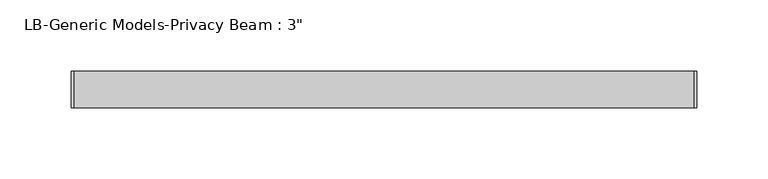
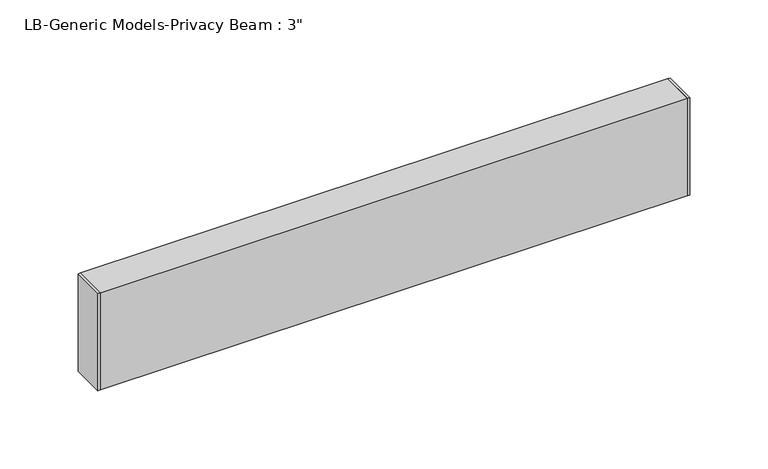
"""IFC4 building model written with IfcOpenShell, lengths in millimetres: proxy geometry."""

from ifc_helpers import new_model, si_unit, frame, origin, place, context, project, spatial, polyline, outline, extrude, source, transform, mapped, element, save


def proxy_37d6fac1(model_context):
    return source(origin(), model_context, "Body", "SweptSolid", [
        extrude(outline(polyline([(0.0, 12.7), (1.651, 12.7), (1.651, -12.7), (0.0, -12.7), (0.0, 12.7)])), frame((0.0, 0.0, -38.1), z_axis=(0.0, 0.0, 1.0), x_axis=(1.0, 0.0, 0.0)), (0.0, 0.0, 1.0), 76.2),
        extrude(outline(polyline([(438.15, 12.7), (438.15, -12.7), (436.499, -12.7), (436.499, 12.7), (438.15, 12.7)])), frame((0.0, 0.0, -38.1), z_axis=(0.0, 0.0, 1.0), x_axis=(1.0, 0.0, 0.0)), (0.0, 0.0, 1.0), 76.2),
        extrude(outline(polyline([(-12.7, 38.1), (12.7, 38.1), (12.7, -38.1), (-12.7, -38.1), (-12.7, 38.1)]), holes=[polyline([(-11.176, 36.576), (-11.176, -36.576), (11.176, -36.576), (11.176, 36.576), (-11.176, 36.576)])]), frame((1.651, 0.0, 0.0), z_axis=(1.0, 0.0, 0.0), x_axis=(0.0, 1.0, 0.0)), (0.0, 0.0, 1.0), 434.848),
    ])


if __name__ == "__main__":
    model = new_model("IFC4")
    model_context = context("Model", 3, world=origin())
    ifc_project = project(units=[si_unit("LENGTHUNIT", "METRE", prefix="MILLI")], contexts=[model_context])
    site = spatial("IfcSite", under=ifc_project)
    building = spatial("IfcBuilding", under=site)
    placement = place(None, origin())
    proxy_shape = proxy_37d6fac1(model_context)
    element("IfcBuildingElementProxy", 1, Name="LB-Generic Models-Privacy Beam : 3\"", ObjectType="LB-Generic Models-Privacy Beam : 3\"", at=placement, inside=building, context=model_context, shape_type="MappedRepresentation", body=[
        mapped(proxy_shape, transform((0.0, 0.0, 0.0), x_axis=(1.0, 0.0, 0.0), y_axis=(0.0, 1.0, 0.0), z_axis=(0.0, 0.0, 1.0))),
    ])
    save(model, "model.ifc")
